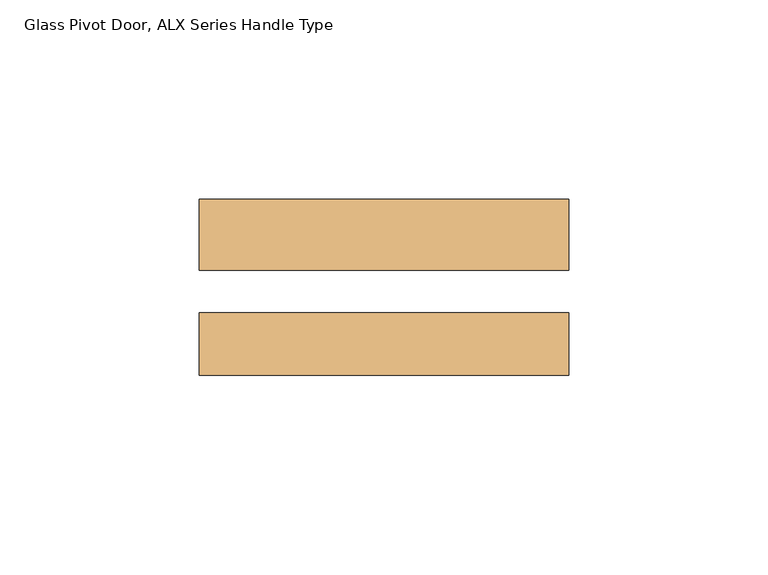
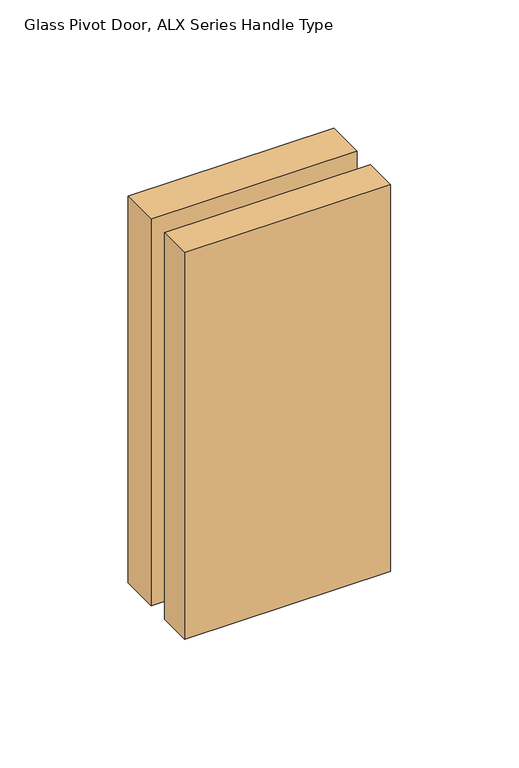
"""IFC4 building model written with IfcOpenShell, lengths in millimetres: door geometry, Glass Pivot Door, ALX Series Handle Type."""

from ifc_helpers import new_model, si_unit, frame, origin, place, context, project, spatial, polyline, outline, extrude, source, transform, mapped, element, save


def glass_pivot_door_alx_series_handle_type_cb8669ac(model_context):
    return source(origin(), model_context, "Body", "SweptSolid", [
        extrude(outline(polyline([(-462.28, 31.4313545), (-462.28, 49.2748545), (-369.57, 49.2748545), (-369.57, 31.4313545), (-462.28, 31.4313545)])), frame((0.0, 0.0, 906.5514), z_axis=(0.0, 0.0, 1.0), x_axis=(1.0, 0.0, 0.0)), (0.0, 0.0, 1.0), 184.15),
        extrude(outline(polyline([(-462.28, 5.1042545), (-462.28, 20.8268545), (-369.57, 20.8268545), (-369.57, 5.1042545), (-462.28, 5.1042545)])), frame((0.0, 0.0, 906.5514), z_axis=(0.0, 0.0, 1.0), x_axis=(1.0, 0.0, 0.0)), (0.0, 0.0, 1.0), 184.15),
    ])


if __name__ == "__main__":
    model = new_model("IFC4")
    model_context = context("Model", 3, world=origin())
    ifc_project = project(units=[si_unit("LENGTHUNIT", "METRE", prefix="MILLI")], contexts=[model_context])
    site = spatial("IfcSite", under=ifc_project)
    building = spatial("IfcBuilding", under=site)
    placement = place(None, origin())
    glass_pivot_door_alx_series_handle_type_shape = glass_pivot_door_alx_series_handle_type_cb8669ac(model_context)
    element("IfcDoor", 1, ObjectType="Glass Pivot Door, ALX Series Handle Type", at=placement, inside=building, context=model_context, shape_type="MappedRepresentation", body=[
        mapped(glass_pivot_door_alx_series_handle_type_shape, transform((0.0, 0.0, 0.0), x_axis=(1.0, 0.0, 0.0), y_axis=(0.0, 1.0, 0.0), z_axis=(0.0, 0.0, 1.0))),
    ])
    save(model, "model.ifc")
